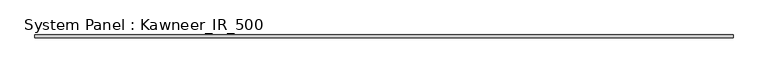
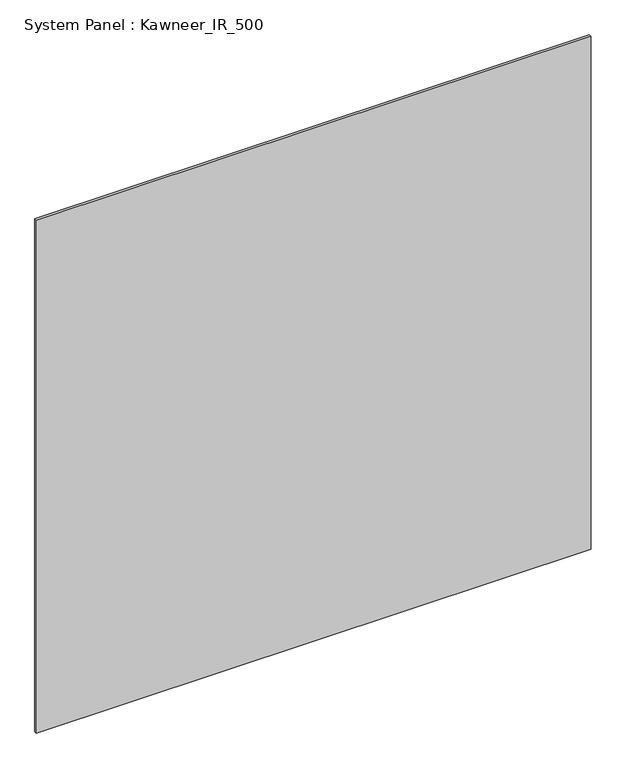
"""IFC4 building model written with IfcOpenShell, lengths in millimetres: plate geometry, System Panel : Kawneer_IR_500."""

from ifc_helpers import new_model, si_unit, origin, origin_with_axes, place, context, project, spatial, polyline, outline, extrude, source, transform, mapped, element, save


def system_panel_kawneer_ir_500_dc5f6ff4(model_context):
    return source(origin(), model_context, "Body", "SweptSolid", [
        extrude(outline(polyline([(730.1898669, -7.7), (-730.1898669, -7.7), (-730.1898669, -1.3), (730.1898669, -1.3), (730.1898669, -7.7)])), origin_with_axes(), (0.0, 0.0, 1.0), 1427.3786759),
    ])


if __name__ == "__main__":
    model = new_model("IFC4")
    model_context = context("Model", 3, world=origin())
    ifc_project = project(units=[si_unit("LENGTHUNIT", "METRE", prefix="MILLI")], contexts=[model_context])
    site = spatial("IfcSite", under=ifc_project)
    building = spatial("IfcBuilding", under=site)
    placement = place(None, origin())
    system_panel_kawneer_ir_500_shape = system_panel_kawneer_ir_500_dc5f6ff4(model_context)
    element("IfcPlate", 1, ObjectType="System Panel : Kawneer_IR_500", at=placement, inside=building, context=model_context, shape_type="MappedRepresentation", body=[
        mapped(system_panel_kawneer_ir_500_shape, transform((0.0, 0.0, 0.0), x_axis=(1.0, 0.0, 0.0), y_axis=(0.0, 1.0, 0.0), z_axis=(0.0, 0.0, 1.0))),
    ])
    save(model, "model.ifc")
